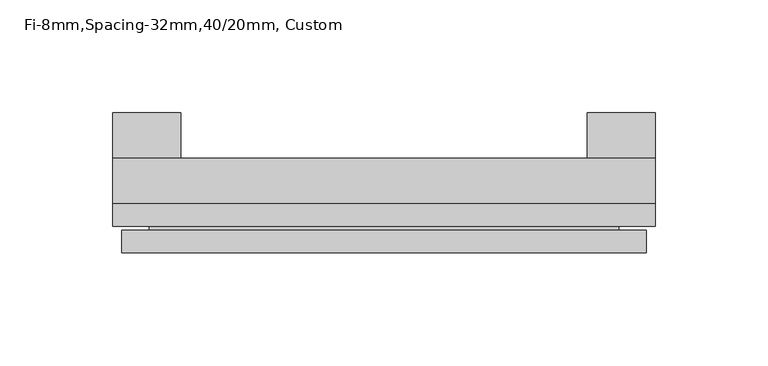
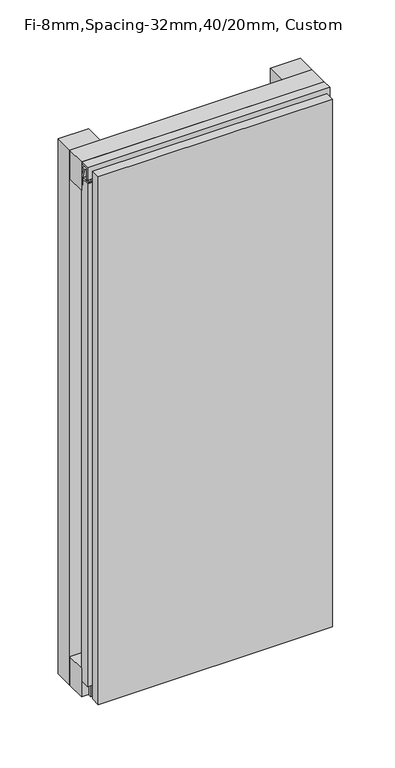
"""IFC4 building model written with IfcOpenShell, lengths in millimetres: plate geometry, Fi-8mm,Spacing-32mm,40/20mm, Custom."""

import ifcopenshell
import ifcopenshell.guid

model = None  # the IFC model being written
_history = None  # IfcOwnerHistory: only IFC2X3 demands one
_inside = {}  # id of a spatial element -> (the spatial element, [elements in it])
_under = {}  # id of a project, library or spatial element -> (it, [spatial elements below it])
_declared = {}  # id of a project -> (the project, [libraries it declares])
_typed = {}  # id of a type object -> (the type object, [elements of that type])
_made_of = {}  # id of a material, layer set ... -> (it, [elements and type objects made of it])


def new_model(schema):
    """Start an empty IFC model of exactly this schema.

    Asked for "IFC4X3", IfcOpenShell would pick the latest addendum, in which some entities
    have other attributes; the version numbers below select the first issue.
    IFC2X3 requires an IfcOwnerHistory on every rooted entity: one is made here for all.
    """
    global model, _history
    if schema == "IFC4X3":
        model = ifcopenshell.file(schema_version=(4, 3, 0, 0))
    else:
        model = ifcopenshell.file(schema=schema)
    _inside.clear()
    _under.clear()
    _declared.clear()
    _typed.clear()
    _made_of.clear()
    _history = None
    if model.schema == "IFC2X3":
        org = make("IfcOrganization", Name="unknown")
        user = make(
            "IfcPersonAndOrganization",
            ThePerson=make("IfcPerson", FamilyName="unknown"),
            TheOrganization=org,
        )
        app = make(
            "IfcApplication",
            ApplicationDeveloper=org,
            Version="unknown",
            ApplicationFullName="unknown",
            ApplicationIdentifier="unknown",
        )
        _history = make(
            "IfcOwnerHistory",
            OwningUser=user,
            OwningApplication=app,
            ChangeAction="ADDED",
            CreationDate=0,
        )
    return model


def make(cls, **values):
    """One entity of the class cls with the attributes given. An attribute that is None is left unset."""
    return model.create_entity(
        cls, **{name: value for name, value in values.items() if value is not None}
    )


def rooted(cls, **values):
    """An entity with a GlobalId (a new one), such as an element, a storey or a relation."""
    return make(cls, GlobalId=ifcopenshell.guid.new(), OwnerHistory=_history, **values)


def si_unit(unit_type, name, prefix=None):
    """IfcSIUnit, for example si_unit("LENGTHUNIT", "METRE", prefix="MILLI")."""
    return make("IfcSIUnit", UnitType=unit_type, Prefix=prefix, Name=name)


def assignment(units):
    """IfcUnitAssignment: the units of a project."""
    return None if units is None else make("IfcUnitAssignment", Units=units)


def point(xyz):
    """IfcCartesianPoint."""
    return None if xyz is None else make("IfcCartesianPoint", Coordinates=xyz)


def direction(xyz):
    """IfcDirection."""
    return None if xyz is None else make("IfcDirection", DirectionRatios=xyz)


def frame(location, z_axis=None, x_axis=None):
    """IfcAxis2Placement3D, a coordinate frame: its origin and axes. An axis left out is left unset."""
    return make(
        "IfcAxis2Placement3D",
        Location=point(location),
        Axis=direction(z_axis),
        RefDirection=direction(x_axis),
    )


def origin():
    """The frame at (0, 0, 0) with its axes left unset."""
    return frame((0.0, 0.0, 0.0))


def origin_with_axes():
    """The frame at (0, 0, 0) with the z axis (0, 0, 1) and the x axis (1, 0, 0) written out."""
    return frame((0.0, 0.0, 0.0), z_axis=(0.0, 0.0, 1.0), x_axis=(1.0, 0.0, 0.0))


def place(relative_to, where):
    """IfcLocalPlacement: puts the frame where relative to a parent placement (None: the world)."""
    return make(
        "IfcLocalPlacement", PlacementRelTo=relative_to, RelativePlacement=where
    )


def context(
    kind, dimensions, precision=None, world=None, true_north=None, identifier=None
):
    """IfcGeometricRepresentationContext, for example the 3D "Model" context."""
    return make(
        "IfcGeometricRepresentationContext",
        ContextIdentifier=identifier,
        ContextType=kind,
        CoordinateSpaceDimension=dimensions,
        Precision=precision,
        WorldCoordinateSystem=world,
        TrueNorth=true_north,
    )


def project(units=None, contexts=None):
    """IfcProject with its units and contexts."""
    return rooted(
        "IfcProject",
        Name="project",
        RepresentationContexts=contexts,
        UnitsInContext=assignment(units),
    )


def spatial(cls, under=None, at=None, **own):
    """A site, building, storey or space (cls), placed at a placement, below another one or the project."""
    s = rooted(cls, ObjectPlacement=at, **own)
    if under is not None:
        _under.setdefault(under.id(), (under, []))[1].append(s)
    return s


def polyline(points):
    """IfcPolyline through the points."""
    return make("IfcPolyline", Points=[point(p) for p in points])


def outline(outer, holes=None, kind="AREA"):
    """IfcArbitraryClosedProfileDef: a profile drawn as a closed curve; with holes, ...WithVoids."""
    if holes is None:
        return make("IfcArbitraryClosedProfileDef", ProfileType=kind, OuterCurve=outer)
    return make(
        "IfcArbitraryProfileDefWithVoids",
        ProfileType=kind,
        OuterCurve=outer,
        InnerCurves=holes,
    )


def extrude(swept, where, along, depth):
    """IfcExtrudedAreaSolid: the profile swept, set in the frame where, extruded along a direction by depth."""
    return make(
        "IfcExtrudedAreaSolid",
        SweptArea=swept,
        Position=where,
        ExtrudedDirection=direction(along),
        Depth=depth,
    )


def faces_of(points, faces, orient=None, outer=None):
    """IfcFace entities. A face is a list of loops; a loop is a list of indices into points, from 0.

    orient and outer hold one flag for each loop. By default every Orientation is true, the
    first loop of a face is its IfcFaceOuterBound and the others are IfcFaceBound.
    """
    made = []
    for i, loops in enumerate(faces):
        bounds = []
        for j, loop in enumerate(loops):
            is_outer = j == 0 if outer is None else outer[i][j]
            bounds.append(
                make(
                    "IfcFaceOuterBound" if is_outer else "IfcFaceBound",
                    Bound=make("IfcPolyLoop", Polygon=[points[k] for k in loop]),
                    Orientation=True if orient is None else orient[i][j],
                )
            )
        made.append(make("IfcFace", Bounds=bounds))
    return made


def faceted_brep(points, faces, orient=None, outer=None, voids=None):
    """IfcFacetedBrep: a solid bounded by flat faces; with voids (closed shells), ...WithVoids."""
    shared = [point(p) for p in points]
    hull = make("IfcClosedShell", CfsFaces=faces_of(shared, faces, orient, outer))
    if voids is None:
        return make("IfcFacetedBrep", Outer=hull)
    return make(
        "IfcFacetedBrepWithVoids",
        Outer=hull,
        Voids=[
            make(cls, CfsFaces=faces_of(shared, fs, o, b)) for cls, fs, o, b in voids
        ],
    )


def shape(context_of_items, identifier, shape_type, items):
    """IfcShapeRepresentation: the items that make up one representation, for example the "Body"."""
    return make(
        "IfcShapeRepresentation",
        ContextOfItems=context_of_items,
        RepresentationIdentifier=identifier,
        RepresentationType=shape_type,
        Items=items,
    )


def source(mapping_origin, context_of_items, identifier, shape_type, items):
    """IfcRepresentationMap: a shape defined once, which mapped items show again and again."""
    return make(
        "IfcRepresentationMap",
        MappingOrigin=mapping_origin,
        MappedRepresentation=shape(context_of_items, identifier, shape_type, items),
    )


def transform(
    local_origin,
    x_axis=None,
    y_axis=None,
    z_axis=None,
    scale=None,
    scale2=None,
    scale3=None,
    uniform=True,
):
    """IfcCartesianTransformationOperator3D, or its non-uniform kind. x_axis, y_axis, z_axis: its Axis1, 2, 3."""
    if uniform:
        return make(
            "IfcCartesianTransformationOperator3D",
            Axis1=direction(x_axis),
            Axis2=direction(y_axis),
            LocalOrigin=point(local_origin),
            Scale=scale,
            Axis3=direction(z_axis),
        )
    return make(
        "IfcCartesianTransformationOperator3DnonUniform",
        Axis1=direction(x_axis),
        Axis2=direction(y_axis),
        LocalOrigin=point(local_origin),
        Scale=scale,
        Axis3=direction(z_axis),
        Scale2=scale2,
        Scale3=scale3,
    )


def mapped(mapping_source, mapping_target):
    """IfcMappedItem: shows the shape of a source again, moved by a transform."""
    return make(
        "IfcMappedItem", MappingSource=mapping_source, MappingTarget=mapping_target
    )


def made_of(thing, what):
    """Note that an element or type object is made of a material, layer set ...; save() writes the relation."""
    if what is not None:
        _made_of.setdefault(what.id(), (what, []))[1].append(thing)
    return thing


def element(
    cls,
    number,
    at=None,
    inside=None,
    cuts=None,
    type_object=None,
    material=None,
    context=None,
    identifier="Body",
    shape_type=None,
    held_by="IfcProductDefinitionShape",
    body=None,
    shapes=None,
    **own,
):
    """One element of the class cls, such as IfcWall. Its Tag is "e" and its number.

    at: its placement. inside: the storey or other place that contains it. cuts: it is an
    opening in that element (IfcRelVoidsElement). A single representation is given by context,
    identifier, shape_type and body (its items); several are given by shapes. held_by: the class
    of the entity that holds the representations. save() writes the other relations.
    """
    e = rooted(cls, Tag="e%d" % number, ObjectPlacement=at, **own)
    if body is not None:
        shapes = [shape(context, identifier, shape_type, body)]
    if shapes is not None:
        e.Representation = make(held_by, Representations=shapes)
    if inside is not None:
        _inside.setdefault(inside.id(), (inside, []))[1].append(e)
    if cuts is not None:
        rooted(
            "IfcRelVoidsElement", RelatingBuildingElement=cuts, RelatedOpeningElement=e
        )
    if type_object is not None:
        _typed.setdefault(type_object.id(), (type_object, []))[1].append(e)
    return made_of(e, material)


def aggregate(whole, parts):
    """IfcRelAggregates: a whole, such as a stair, and the parts it consists of."""
    return rooted("IfcRelAggregates", RelatingObject=whole, RelatedObjects=parts)


def save(model, path):
    """Write the relations noted so far, then the file.

    IfcRelAggregates (storeys below a building ...), IfcRelContainedInSpatialStructure (elements
    in a storey), IfcRelDefinesByType, IfcRelAssociatesMaterial and IfcRelDeclares: one each for
    every whole, place, type object, material and project.
    """
    for whole, parts in _under.values():
        aggregate(whole, parts)
    for where, things in _inside.values():
        rooted(
            "IfcRelContainedInSpatialStructure",
            RelatedElements=things,
            RelatingStructure=where,
        )
    for kind, things in _typed.values():
        rooted("IfcRelDefinesByType", RelatedObjects=things, RelatingType=kind)
    for what, things in _made_of.values():
        rooted("IfcRelAssociatesMaterial", RelatedObjects=things, RelatingMaterial=what)
    for by, libraries in _declared.values():
        rooted("IfcRelDeclares", RelatingContext=by, RelatedDefinitions=libraries)
    model.write(path)


def fi_8mm_spacing_32mm_40_20mm_custom_36f037e5(model_context):
    return source(origin(), model_context, "Body", "SolidModel", [
        extrude(outline(polyline([(-120.0, -40.0), (-120.0, -20.0), (120.0, -20.0), (120.0, -40.0), (-120.0, -40.0)])), frame((0.0, 0.0, 530.0), z_axis=(0.0, 0.0, 1.0), x_axis=(1.0, 0.0, 0.0)), (0.0, 0.0, 1.0), 30.0),
        extrude(outline(polyline([(-120.0, -40.0), (-120.0, -20.0), (120.0, -20.0), (120.0, -40.0), (-120.0, -40.0)])), origin_with_axes(), (0.0, 0.0, 1.0), 30.0),
        extrude(outline(polyline([(90.0, 0.0), (120.0, 0.0), (120.0, -20.0), (90.0, -20.0), (90.0, 0.0)])), origin_with_axes(), (0.0, 0.0, 1.0), 560.0),
        extrude(outline(polyline([(-90.0, 0.0), (-90.0, -20.0), (-120.0, -20.0), (-120.0, 0.0), (-90.0, 0.0)])), origin_with_axes(), (0.0, 0.0, 1.0), 560.0),
        extrude(outline(polyline([(-40.0, 553.700916), (-43.5, 553.700916), (-40.0553267, 544.6441401), (-40.0553267, 537.008452), (-41.4553267, 537.008452), (-41.4553267, 544.4296606), (-45.5140545, 555.100916), (-41.4, 555.100916), (-41.4, 558.5843193), (-48.7, 558.5843193), (-48.7, 546.5843193), (-50.1, 546.5843193), (-50.1, 560.0), (-40.0, 560.0), (-40.0, 553.700916)])), frame((-120.0, 0.0, 0.0), z_axis=(1.0, 0.0, 0.0), x_axis=(0.0, 1.0, 0.0)), (0.0, 0.0, 1.0), 240.0),
        extrude(outline(polyline([(-113.700916, -40.0), (-113.700916, -43.5), (-104.6441401, -40.0553267), (-97.008452, -40.0553267), (-97.008452, -41.4553267), (-104.4296606, -41.4553267), (-115.100916, -45.5140545), (-115.100916, -41.4), (-118.5843193, -41.4), (-118.5843193, -48.7), (-106.5843193, -48.7), (-106.5843193, -50.1), (-120.0, -50.1), (-120.0, -40.0), (-113.700916, -40.0)])), frame((0.0, 0.0, 16.9558599), z_axis=(0.0, 0.0, 1.0), x_axis=(1.0, 0.0, 0.0)), (0.0, 0.0, 1.0), 526.0882802),
        faceted_brep([(116.0, -45.9, 556.0), (-116.0, -45.9, 556.0), (-116.0, -48.7, 556.0), (116.0, -48.7, 556.0), (-116.0, -61.9, 556.0), (116.0, -61.9, 556.0), (116.0, -51.9, 556.0), (-116.0, -51.9, 556.0), (-116.0, -45.9, 4.0), (116.0, -45.9, 4.0), (116.0, -48.7, 4.0), (-116.0, -48.7, 4.0), (116.0, -61.9, 4.0), (-116.0, -61.9, 4.0), (-116.0, -51.9, 4.0), (116.0, -51.9, 4.0), (104.0, -51.9, 544.0), (104.0, -51.9, 16.0), (104.0, -48.7, 16.0), (104.0, -48.7, 544.0), (-104.0, -51.9, 16.0), (-104.0, -48.7, 16.0), (-104.0, -51.9, 544.0), (-104.0, -48.7, 544.0)], [[[0, 1, 2, 3]], [[4, 5, 6, 7]], [[8, 9, 10, 11]], [[12, 13, 14, 15]], [[1, 0, 9, 8]], [[1, 8, 11, 2]], [[13, 4, 7, 14]], [[5, 4, 13, 12]], [[9, 0, 3, 10]], [[5, 12, 15, 6]], [[16, 17, 18, 19]], [[18, 17, 20, 21]], [[21, 20, 22, 23]], [[16, 19, 23, 22]], [[7, 6, 15, 14], [17, 16, 22, 20]], [[3, 2, 11, 10], [19, 18, 21, 23]]]),
    ])


if __name__ == "__main__":
    model = new_model("IFC4")
    model_context = context("Model", 3, world=origin())
    ifc_project = project(units=[si_unit("LENGTHUNIT", "METRE", prefix="MILLI")], contexts=[model_context])
    site = spatial("IfcSite", under=ifc_project)
    building = spatial("IfcBuilding", under=site)
    placement = place(None, origin())
    fi_8mm_spacing_32mm_40_20mm_custom_shape = fi_8mm_spacing_32mm_40_20mm_custom_36f037e5(model_context)
    element("IfcPlate", 1, ObjectType="Fi-8mm,Spacing-32mm,40/20mm, Custom", at=placement, inside=building, context=model_context, shape_type="MappedRepresentation", body=[
        mapped(fi_8mm_spacing_32mm_40_20mm_custom_shape, transform((0.0, 0.0, 0.0), x_axis=(1.0, 0.0, 0.0), y_axis=(0.0, 1.0, 0.0), z_axis=(0.0, 0.0, 1.0))),
    ])
    save(model, "model.ifc")
